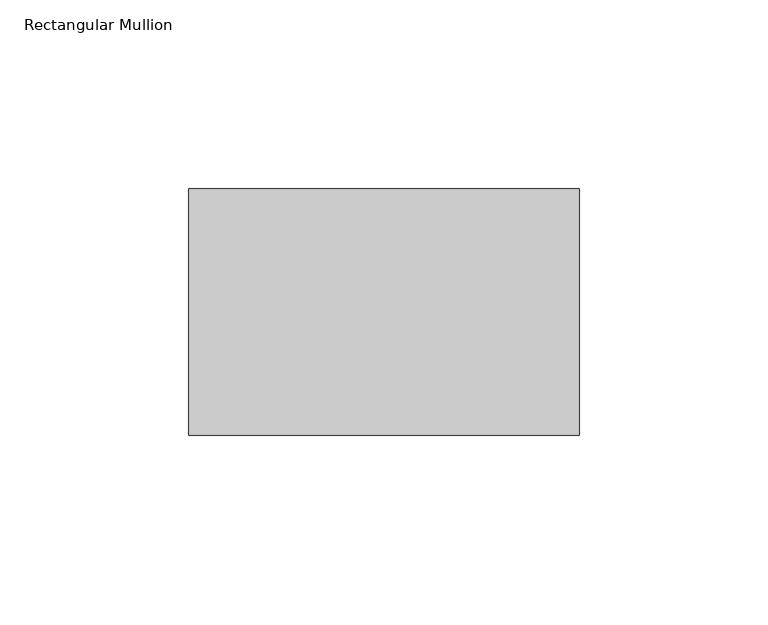
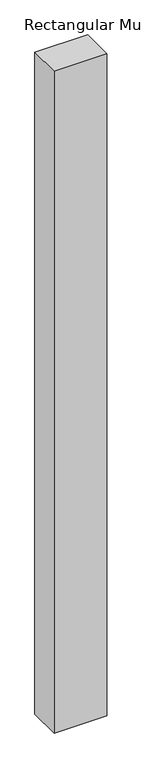
"""IFC4 building model written with IfcOpenShell, lengths in millimetres: member geometry, Rectangular Mullion."""

import ifcopenshell
import ifcopenshell.guid

model = None  # the IFC model being written
_history = None  # IfcOwnerHistory: only IFC2X3 demands one
_inside = {}  # id of a spatial element -> (the spatial element, [elements in it])
_under = {}  # id of a project, library or spatial element -> (it, [spatial elements below it])
_declared = {}  # id of a project -> (the project, [libraries it declares])
_typed = {}  # id of a type object -> (the type object, [elements of that type])
_made_of = {}  # id of a material, layer set ... -> (it, [elements and type objects made of it])


def new_model(schema):
    """Start an empty IFC model of exactly this schema.

    Asked for "IFC4X3", IfcOpenShell would pick the latest addendum, in which some entities
    have other attributes; the version numbers below select the first issue.
    IFC2X3 requires an IfcOwnerHistory on every rooted entity: one is made here for all.
    """
    global model, _history
    if schema == "IFC4X3":
        model = ifcopenshell.file(schema_version=(4, 3, 0, 0))
    else:
        model = ifcopenshell.file(schema=schema)
    _inside.clear()
    _under.clear()
    _declared.clear()
    _typed.clear()
    _made_of.clear()
    _history = None
    if model.schema == "IFC2X3":
        org = make("IfcOrganization", Name="unknown")
        user = make(
            "IfcPersonAndOrganization",
            ThePerson=make("IfcPerson", FamilyName="unknown"),
            TheOrganization=org,
        )
        app = make(
            "IfcApplication",
            ApplicationDeveloper=org,
            Version="unknown",
            ApplicationFullName="unknown",
            ApplicationIdentifier="unknown",
        )
        _history = make(
            "IfcOwnerHistory",
            OwningUser=user,
            OwningApplication=app,
            ChangeAction="ADDED",
            CreationDate=0,
        )
    return model


def make(cls, **values):
    """One entity of the class cls with the attributes given. An attribute that is None is left unset."""
    return model.create_entity(
        cls, **{name: value for name, value in values.items() if value is not None}
    )


def rooted(cls, **values):
    """An entity with a GlobalId (a new one), such as an element, a storey or a relation."""
    return make(cls, GlobalId=ifcopenshell.guid.new(), OwnerHistory=_history, **values)


def si_unit(unit_type, name, prefix=None):
    """IfcSIUnit, for example si_unit("LENGTHUNIT", "METRE", prefix="MILLI")."""
    return make("IfcSIUnit", UnitType=unit_type, Prefix=prefix, Name=name)


def assignment(units):
    """IfcUnitAssignment: the units of a project."""
    return None if units is None else make("IfcUnitAssignment", Units=units)


def point(xyz):
    """IfcCartesianPoint."""
    return None if xyz is None else make("IfcCartesianPoint", Coordinates=xyz)


def direction(xyz):
    """IfcDirection."""
    return None if xyz is None else make("IfcDirection", DirectionRatios=xyz)


def frame(location, z_axis=None, x_axis=None):
    """IfcAxis2Placement3D, a coordinate frame: its origin and axes. An axis left out is left unset."""
    return make(
        "IfcAxis2Placement3D",
        Location=point(location),
        Axis=direction(z_axis),
        RefDirection=direction(x_axis),
    )


def origin():
    """The frame at (0, 0, 0) with its axes left unset."""
    return frame((0.0, 0.0, 0.0))


def place(relative_to, where):
    """IfcLocalPlacement: puts the frame where relative to a parent placement (None: the world)."""
    return make(
        "IfcLocalPlacement", PlacementRelTo=relative_to, RelativePlacement=where
    )


def context(
    kind, dimensions, precision=None, world=None, true_north=None, identifier=None
):
    """IfcGeometricRepresentationContext, for example the 3D "Model" context."""
    return make(
        "IfcGeometricRepresentationContext",
        ContextIdentifier=identifier,
        ContextType=kind,
        CoordinateSpaceDimension=dimensions,
        Precision=precision,
        WorldCoordinateSystem=world,
        TrueNorth=true_north,
    )


def project(units=None, contexts=None):
    """IfcProject with its units and contexts."""
    return rooted(
        "IfcProject",
        Name="project",
        RepresentationContexts=contexts,
        UnitsInContext=assignment(units),
    )


def spatial(cls, under=None, at=None, **own):
    """A site, building, storey or space (cls), placed at a placement, below another one or the project."""
    s = rooted(cls, ObjectPlacement=at, **own)
    if under is not None:
        _under.setdefault(under.id(), (under, []))[1].append(s)
    return s


def polyline(points):
    """IfcPolyline through the points."""
    return make("IfcPolyline", Points=[point(p) for p in points])


def outline(outer, holes=None, kind="AREA"):
    """IfcArbitraryClosedProfileDef: a profile drawn as a closed curve; with holes, ...WithVoids."""
    if holes is None:
        return make("IfcArbitraryClosedProfileDef", ProfileType=kind, OuterCurve=outer)
    return make(
        "IfcArbitraryProfileDefWithVoids",
        ProfileType=kind,
        OuterCurve=outer,
        InnerCurves=holes,
    )


def extrude(swept, where, along, depth):
    """IfcExtrudedAreaSolid: the profile swept, set in the frame where, extruded along a direction by depth."""
    return make(
        "IfcExtrudedAreaSolid",
        SweptArea=swept,
        Position=where,
        ExtrudedDirection=direction(along),
        Depth=depth,
    )


def shape(context_of_items, identifier, shape_type, items):
    """IfcShapeRepresentation: the items that make up one representation, for example the "Body"."""
    return make(
        "IfcShapeRepresentation",
        ContextOfItems=context_of_items,
        RepresentationIdentifier=identifier,
        RepresentationType=shape_type,
        Items=items,
    )


def source(mapping_origin, context_of_items, identifier, shape_type, items):
    """IfcRepresentationMap: a shape defined once, which mapped items show again and again."""
    return make(
        "IfcRepresentationMap",
        MappingOrigin=mapping_origin,
        MappedRepresentation=shape(context_of_items, identifier, shape_type, items),
    )


def transform(
    local_origin,
    x_axis=None,
    y_axis=None,
    z_axis=None,
    scale=None,
    scale2=None,
    scale3=None,
    uniform=True,
):
    """IfcCartesianTransformationOperator3D, or its non-uniform kind. x_axis, y_axis, z_axis: its Axis1, 2, 3."""
    if uniform:
        return make(
            "IfcCartesianTransformationOperator3D",
            Axis1=direction(x_axis),
            Axis2=direction(y_axis),
            LocalOrigin=point(local_origin),
            Scale=scale,
            Axis3=direction(z_axis),
        )
    return make(
        "IfcCartesianTransformationOperator3DnonUniform",
        Axis1=direction(x_axis),
        Axis2=direction(y_axis),
        LocalOrigin=point(local_origin),
        Scale=scale,
        Axis3=direction(z_axis),
        Scale2=scale2,
        Scale3=scale3,
    )


def mapped(mapping_source, mapping_target):
    """IfcMappedItem: shows the shape of a source again, moved by a transform."""
    return make(
        "IfcMappedItem", MappingSource=mapping_source, MappingTarget=mapping_target
    )


def made_of(thing, what):
    """Note that an element or type object is made of a material, layer set ...; save() writes the relation."""
    if what is not None:
        _made_of.setdefault(what.id(), (what, []))[1].append(thing)
    return thing


def element(
    cls,
    number,
    at=None,
    inside=None,
    cuts=None,
    type_object=None,
    material=None,
    context=None,
    identifier="Body",
    shape_type=None,
    held_by="IfcProductDefinitionShape",
    body=None,
    shapes=None,
    **own,
):
    """One element of the class cls, such as IfcWall. Its Tag is "e" and its number.

    at: its placement. inside: the storey or other place that contains it. cuts: it is an
    opening in that element (IfcRelVoidsElement). A single representation is given by context,
    identifier, shape_type and body (its items); several are given by shapes. held_by: the class
    of the entity that holds the representations. save() writes the other relations.
    """
    e = rooted(cls, Tag="e%d" % number, ObjectPlacement=at, **own)
    if body is not None:
        shapes = [shape(context, identifier, shape_type, body)]
    if shapes is not None:
        e.Representation = make(held_by, Representations=shapes)
    if inside is not None:
        _inside.setdefault(inside.id(), (inside, []))[1].append(e)
    if cuts is not None:
        rooted(
            "IfcRelVoidsElement", RelatingBuildingElement=cuts, RelatedOpeningElement=e
        )
    if type_object is not None:
        _typed.setdefault(type_object.id(), (type_object, []))[1].append(e)
    return made_of(e, material)


def aggregate(whole, parts):
    """IfcRelAggregates: a whole, such as a stair, and the parts it consists of."""
    return rooted("IfcRelAggregates", RelatingObject=whole, RelatedObjects=parts)


def save(model, path):
    """Write the relations noted so far, then the file.

    IfcRelAggregates (storeys below a building ...), IfcRelContainedInSpatialStructure (elements
    in a storey), IfcRelDefinesByType, IfcRelAssociatesMaterial and IfcRelDeclares: one each for
    every whole, place, type object, material and project.
    """
    for whole, parts in _under.values():
        aggregate(whole, parts)
    for where, things in _inside.values():
        rooted(
            "IfcRelContainedInSpatialStructure",
            RelatedElements=things,
            RelatingStructure=where,
        )
    for kind, things in _typed.values():
        rooted("IfcRelDefinesByType", RelatedObjects=things, RelatingType=kind)
    for what, things in _made_of.values():
        rooted("IfcRelAssociatesMaterial", RelatedObjects=things, RelatingMaterial=what)
    for by, libraries in _declared.values():
        rooted("IfcRelDeclares", RelatingContext=by, RelatedDefinitions=libraries)
    model.write(path)


def rectangular_mullion_95114547(model_context):
    return source(origin(), model_context, "Body", "SweptSolid", [
        extrude(outline(polyline([(-103.1875, -39.6875), (-103.1875, 25.4), (0.0, 25.4), (0.0, -39.6875), (-103.1875, -39.6875)])), frame((0.0, 0.0, -1369.21875), z_axis=(0.0, 0.0, 1.0), x_axis=(1.0, 0.0, 0.0)), (0.0, 0.0, 1.0), 1369.21875),
    ])


if __name__ == "__main__":
    model = new_model("IFC4")
    model_context = context("Model", 3, world=origin())
    ifc_project = project(units=[si_unit("LENGTHUNIT", "METRE", prefix="MILLI")], contexts=[model_context])
    site = spatial("IfcSite", under=ifc_project)
    building = spatial("IfcBuilding", under=site)
    placement = place(None, origin())
    rectangular_mullion_shape = rectangular_mullion_95114547(model_context)
    element("IfcMember", 1, ObjectType="Rectangular Mullion", at=placement, inside=building, context=model_context, shape_type="MappedRepresentation", body=[
        mapped(rectangular_mullion_shape, transform((0.0, 0.0, 0.0), x_axis=(1.0, 0.0, 0.0), y_axis=(0.0, 1.0, 0.0), z_axis=(0.0, 0.0, 1.0))),
    ])
    save(model, "model.ifc")
